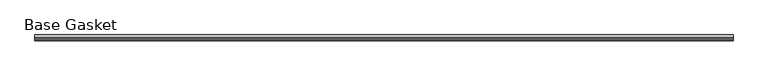
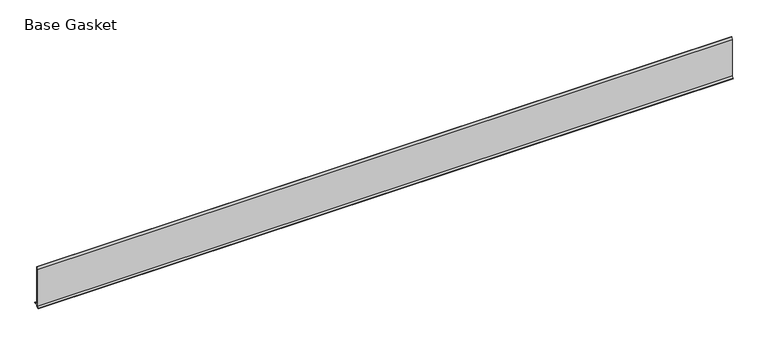
"""IFC4 building model written with IfcOpenShell, lengths in millimetres: furniture geometry, Base Gasket."""

from ifc_helpers import new_model, si_unit, frame, origin, place, context, project, spatial, polyline, outline, extrude, source, transform, mapped, element, save


def base_gasket_ab7c9cfa(model_context):
    return source(origin(), model_context, "Body", "SweptSolid", [
        extrude(outline(polyline([(-3.7283812, 98.4568417), (-1.1891543, 104.587663), (-0.6755308, 105.2002997), (-0.6755308, 104.4162708), (-2.2043812, 98.4568417), (-2.2043812, 96.8693477), (-1.4106313, 96.8693477), (-1.4106313, 71.4693447), (-2.2043812, 71.4693447), (-2.2043812, 7.9398773), (6.2405171, 7.9398773), (6.2405171, 6.3818476), (-2.1334222, 6.3818476), (-2.2043812, 4.3498477), (-6.8281054, 0.3520979), (-7.8482342, 0.0), (-7.4222115, 0.6560174), (-3.7283812, 4.3498477), (-3.7283812, 98.4568417)])), frame((-1527.8982117, 0.0, 0.0), z_axis=(1.0, 0.0, 0.0), x_axis=(0.0, 1.0, 0.0)), (0.0, 0.0, 1.0), 1711.910821),
    ])


if __name__ == "__main__":
    model = new_model("IFC4")
    model_context = context("Model", 3, world=origin())
    ifc_project = project(units=[si_unit("LENGTHUNIT", "METRE", prefix="MILLI")], contexts=[model_context])
    site = spatial("IfcSite", under=ifc_project)
    building = spatial("IfcBuilding", under=site)
    placement = place(None, origin())
    base_gasket_shape = base_gasket_ab7c9cfa(model_context)
    element("IfcFurniture", 1, ObjectType="Base Gasket", at=placement, inside=building, context=model_context, shape_type="MappedRepresentation", body=[
        mapped(base_gasket_shape, transform((0.0, 0.0, 0.0), x_axis=(1.0, 0.0, 0.0), y_axis=(0.0, 1.0, 0.0), z_axis=(0.0, 0.0, 1.0))),
    ])
    save(model, "model.ifc")
